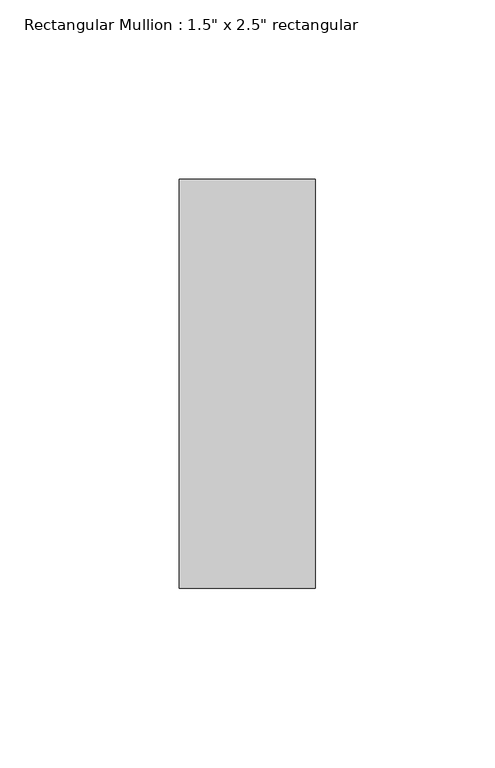
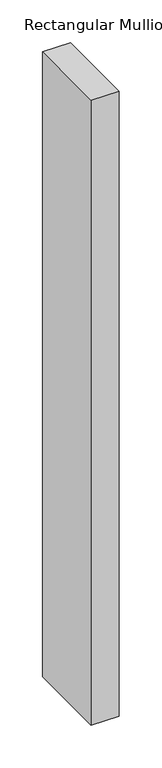
"""IFC4 building model written with IfcOpenShell, lengths in millimetres: member geometry."""

from ifc_helpers import new_model, si_unit, frame, origin, place, context, project, spatial, polyline, outline, extrude, source, transform, mapped, element, save


def member_795b20b0(model_context):
    return source(origin(), model_context, "Body", "SweptSolid", [
        extrude(outline(polyline([(0.0, 57.15), (0.0, -57.15), (-38.1, -57.15), (-38.1, 57.15), (0.0, 57.15)])), frame((0.0, 0.0, -895.35), z_axis=(0.0, 0.0, 1.0), x_axis=(1.0, 0.0, 0.0)), (0.0, 0.0, 1.0), 895.35),
    ])


if __name__ == "__main__":
    model = new_model("IFC4")
    model_context = context("Model", 3, world=origin())
    ifc_project = project(units=[si_unit("LENGTHUNIT", "METRE", prefix="MILLI")], contexts=[model_context])
    site = spatial("IfcSite", under=ifc_project)
    building = spatial("IfcBuilding", under=site)
    placement = place(None, origin())
    member_shape = member_795b20b0(model_context)
    element("IfcMember", 1, ObjectType="Rectangular Mullion : 1.5\" x 2.5\" rectangular", at=placement, inside=building, context=model_context, shape_type="MappedRepresentation", body=[
        mapped(member_shape, transform((0.0, 0.0, 0.0), x_axis=(1.0, 0.0, 0.0), y_axis=(0.0, 1.0, 0.0), z_axis=(0.0, 0.0, 1.0))),
    ])
    save(model, "model.ifc")
